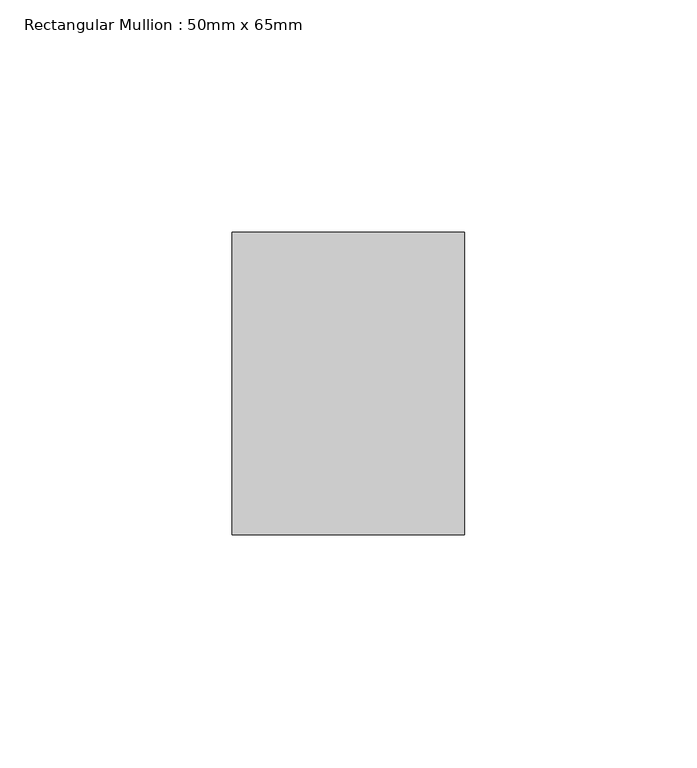
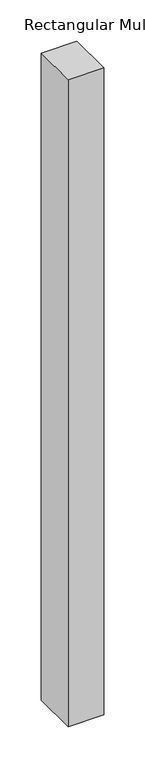
"""IFC4 building model written with IfcOpenShell, lengths in millimetres: member geometry, Rectangular Mullion : 50mm x 65mm."""

from ifc_helpers import new_model, si_unit, frame, origin, place, context, project, spatial, polyline, outline, extrude, source, transform, mapped, element, save


def rectangular_mullion_50mm_x_65mm_ab6e0239(model_context):
    return source(origin(), model_context, "Body", "SweptSolid", [
        extrude(outline(polyline([(25.0, 32.5), (25.0, -32.5), (-25.0, -32.5), (-25.0, 32.5), (25.0, 32.5)])), frame((0.0, 0.0, -957.7638992), z_axis=(0.0, 0.0, 1.0), x_axis=(1.0, 0.0, 0.0)), (0.0, 0.0, 1.0), 957.7638992),
    ])


if __name__ == "__main__":
    model = new_model("IFC4")
    model_context = context("Model", 3, world=origin())
    ifc_project = project(units=[si_unit("LENGTHUNIT", "METRE", prefix="MILLI")], contexts=[model_context])
    site = spatial("IfcSite", under=ifc_project)
    building = spatial("IfcBuilding", under=site)
    placement = place(None, origin())
    rectangular_mullion_50mm_x_65mm_shape = rectangular_mullion_50mm_x_65mm_ab6e0239(model_context)
    element("IfcMember", 1, ObjectType="Rectangular Mullion : 50mm x 65mm", at=placement, inside=building, context=model_context, shape_type="MappedRepresentation", body=[
        mapped(rectangular_mullion_50mm_x_65mm_shape, transform((0.0, 0.0, 0.0), x_axis=(1.0, 0.0, 0.0), y_axis=(0.0, 1.0, 0.0), z_axis=(0.0, 0.0, 1.0))),
    ])
    save(model, "model.ifc")
